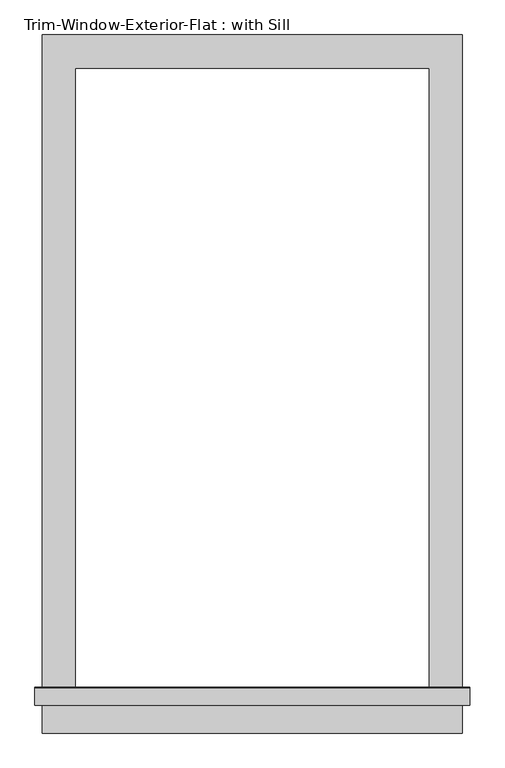
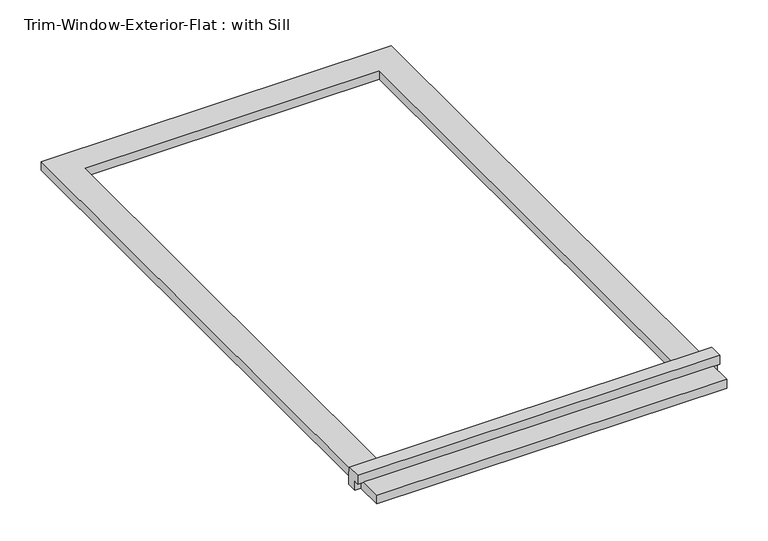
"""IFC4 building model written with IfcOpenShell, lengths in millimetres: proxy geometry, Trim-Window-Exterior-Flat : with Sill."""

from ifc_helpers import new_model, si_unit, frame, origin, origin_with_axes, place, context, project, spatial, polyline, outline, extrude, source, transform, mapped, element, save


def trim_window_exterior_flat_with_sill_278e6a94(model_context):
    return source(origin(), model_context, "Body", "SweptSolid", [
        extrude(outline(polyline([(361.95, -1088.9823709), (361.95, -1146.1323709), (-361.95, -1146.1323709), (-361.95, -1088.9823709), (361.95, -1088.9823709)])), origin_with_axes(), (0.0, 0.0, 1.0), 19.05),
        extrude(outline(polyline([(-1098.55, 38.1), (-1069.2580645, 38.1), (-1066.8, 19.05), (-1066.8, 0.0), (-1088.9823709, 0.0), (-1088.9823709, 19.05), (-1098.55, 19.05), (-1098.55, 38.1)])), frame((-374.65, 0.0, 0.0), z_axis=(1.0, 0.0, 0.0), x_axis=(0.0, 1.0, 0.0)), (0.0, 0.0, 1.0), 749.3),
        extrude(outline(polyline([(-361.95, 57.15), (361.95, 57.15), (361.95, -1066.8), (304.8, -1066.8), (304.8, 0.0), (-304.8, 0.0), (-304.8, -1066.8), (-361.95, -1066.8), (-361.95, 57.15)])), origin_with_axes(), (0.0, 0.0, 1.0), 19.05),
    ])


if __name__ == "__main__":
    model = new_model("IFC4")
    model_context = context("Model", 3, world=origin())
    ifc_project = project(units=[si_unit("LENGTHUNIT", "METRE", prefix="MILLI")], contexts=[model_context])
    site = spatial("IfcSite", under=ifc_project)
    building = spatial("IfcBuilding", under=site)
    placement = place(None, origin())
    trim_window_exterior_flat_with_sill_shape = trim_window_exterior_flat_with_sill_278e6a94(model_context)
    element("IfcBuildingElementProxy", 1, Name="Trim-Window-Exterior-Flat : with Sill", ObjectType="Trim-Window-Exterior-Flat : with Sill", at=placement, inside=building, context=model_context, shape_type="MappedRepresentation", body=[
        mapped(trim_window_exterior_flat_with_sill_shape, transform((0.0, 0.0, 0.0), x_axis=(1.0, 0.0, 0.0), y_axis=(0.0, 1.0, 0.0), z_axis=(0.0, 0.0, 1.0))),
    ])
    save(model, "model.ifc")
